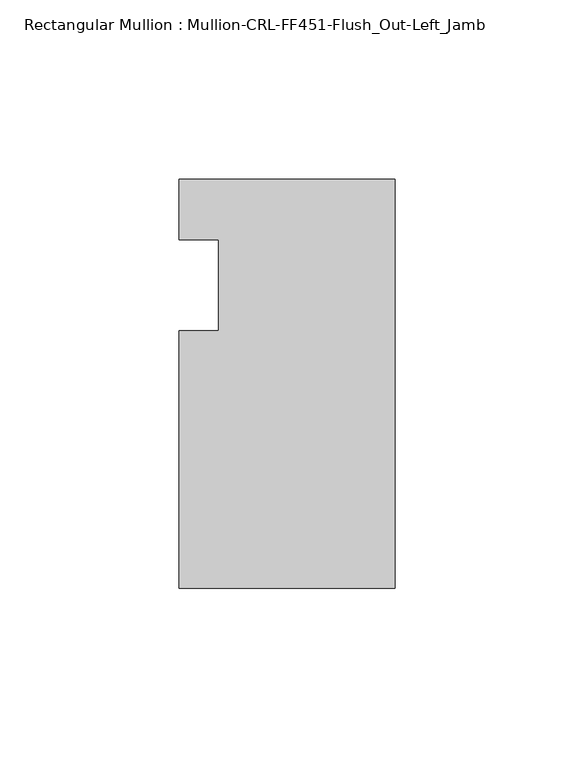
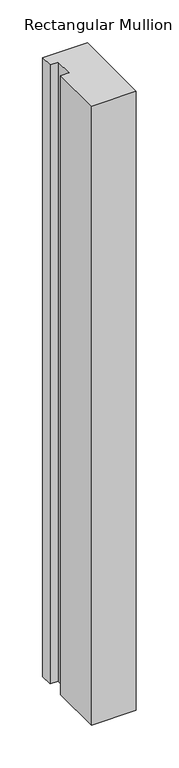
"""IFC4 building model written with IfcOpenShell, lengths in millimetres: member geometry, Rectangular Mullion : Mullion-CRL-FF451-Flush_Out-Left_Jamb."""

import ifcopenshell
import ifcopenshell.guid

model = None  # the IFC model being written
_history = None  # IfcOwnerHistory: only IFC2X3 demands one
_inside = {}  # id of a spatial element -> (the spatial element, [elements in it])
_under = {}  # id of a project, library or spatial element -> (it, [spatial elements below it])
_declared = {}  # id of a project -> (the project, [libraries it declares])
_typed = {}  # id of a type object -> (the type object, [elements of that type])
_made_of = {}  # id of a material, layer set ... -> (it, [elements and type objects made of it])


def new_model(schema):
    """Start an empty IFC model of exactly this schema.

    Asked for "IFC4X3", IfcOpenShell would pick the latest addendum, in which some entities
    have other attributes; the version numbers below select the first issue.
    IFC2X3 requires an IfcOwnerHistory on every rooted entity: one is made here for all.
    """
    global model, _history
    if schema == "IFC4X3":
        model = ifcopenshell.file(schema_version=(4, 3, 0, 0))
    else:
        model = ifcopenshell.file(schema=schema)
    _inside.clear()
    _under.clear()
    _declared.clear()
    _typed.clear()
    _made_of.clear()
    _history = None
    if model.schema == "IFC2X3":
        org = make("IfcOrganization", Name="unknown")
        user = make(
            "IfcPersonAndOrganization",
            ThePerson=make("IfcPerson", FamilyName="unknown"),
            TheOrganization=org,
        )
        app = make(
            "IfcApplication",
            ApplicationDeveloper=org,
            Version="unknown",
            ApplicationFullName="unknown",
            ApplicationIdentifier="unknown",
        )
        _history = make(
            "IfcOwnerHistory",
            OwningUser=user,
            OwningApplication=app,
            ChangeAction="ADDED",
            CreationDate=0,
        )
    return model


def make(cls, **values):
    """One entity of the class cls with the attributes given. An attribute that is None is left unset."""
    return model.create_entity(
        cls, **{name: value for name, value in values.items() if value is not None}
    )


def rooted(cls, **values):
    """An entity with a GlobalId (a new one), such as an element, a storey or a relation."""
    return make(cls, GlobalId=ifcopenshell.guid.new(), OwnerHistory=_history, **values)


def si_unit(unit_type, name, prefix=None):
    """IfcSIUnit, for example si_unit("LENGTHUNIT", "METRE", prefix="MILLI")."""
    return make("IfcSIUnit", UnitType=unit_type, Prefix=prefix, Name=name)


def assignment(units):
    """IfcUnitAssignment: the units of a project."""
    return None if units is None else make("IfcUnitAssignment", Units=units)


def point(xyz):
    """IfcCartesianPoint."""
    return None if xyz is None else make("IfcCartesianPoint", Coordinates=xyz)


def direction(xyz):
    """IfcDirection."""
    return None if xyz is None else make("IfcDirection", DirectionRatios=xyz)


def frame(location, z_axis=None, x_axis=None):
    """IfcAxis2Placement3D, a coordinate frame: its origin and axes. An axis left out is left unset."""
    return make(
        "IfcAxis2Placement3D",
        Location=point(location),
        Axis=direction(z_axis),
        RefDirection=direction(x_axis),
    )


def origin():
    """The frame at (0, 0, 0) with its axes left unset."""
    return frame((0.0, 0.0, 0.0))


def place(relative_to, where):
    """IfcLocalPlacement: puts the frame where relative to a parent placement (None: the world)."""
    return make(
        "IfcLocalPlacement", PlacementRelTo=relative_to, RelativePlacement=where
    )


def context(
    kind, dimensions, precision=None, world=None, true_north=None, identifier=None
):
    """IfcGeometricRepresentationContext, for example the 3D "Model" context."""
    return make(
        "IfcGeometricRepresentationContext",
        ContextIdentifier=identifier,
        ContextType=kind,
        CoordinateSpaceDimension=dimensions,
        Precision=precision,
        WorldCoordinateSystem=world,
        TrueNorth=true_north,
    )


def project(units=None, contexts=None):
    """IfcProject with its units and contexts."""
    return rooted(
        "IfcProject",
        Name="project",
        RepresentationContexts=contexts,
        UnitsInContext=assignment(units),
    )


def spatial(cls, under=None, at=None, **own):
    """A site, building, storey or space (cls), placed at a placement, below another one or the project."""
    s = rooted(cls, ObjectPlacement=at, **own)
    if under is not None:
        _under.setdefault(under.id(), (under, []))[1].append(s)
    return s


def polyline(points):
    """IfcPolyline through the points."""
    return make("IfcPolyline", Points=[point(p) for p in points])


def outline(outer, holes=None, kind="AREA"):
    """IfcArbitraryClosedProfileDef: a profile drawn as a closed curve; with holes, ...WithVoids."""
    if holes is None:
        return make("IfcArbitraryClosedProfileDef", ProfileType=kind, OuterCurve=outer)
    return make(
        "IfcArbitraryProfileDefWithVoids",
        ProfileType=kind,
        OuterCurve=outer,
        InnerCurves=holes,
    )


def extrude(swept, where, along, depth):
    """IfcExtrudedAreaSolid: the profile swept, set in the frame where, extruded along a direction by depth."""
    return make(
        "IfcExtrudedAreaSolid",
        SweptArea=swept,
        Position=where,
        ExtrudedDirection=direction(along),
        Depth=depth,
    )


def shape(context_of_items, identifier, shape_type, items):
    """IfcShapeRepresentation: the items that make up one representation, for example the "Body"."""
    return make(
        "IfcShapeRepresentation",
        ContextOfItems=context_of_items,
        RepresentationIdentifier=identifier,
        RepresentationType=shape_type,
        Items=items,
    )


def source(mapping_origin, context_of_items, identifier, shape_type, items):
    """IfcRepresentationMap: a shape defined once, which mapped items show again and again."""
    return make(
        "IfcRepresentationMap",
        MappingOrigin=mapping_origin,
        MappedRepresentation=shape(context_of_items, identifier, shape_type, items),
    )


def transform(
    local_origin,
    x_axis=None,
    y_axis=None,
    z_axis=None,
    scale=None,
    scale2=None,
    scale3=None,
    uniform=True,
):
    """IfcCartesianTransformationOperator3D, or its non-uniform kind. x_axis, y_axis, z_axis: its Axis1, 2, 3."""
    if uniform:
        return make(
            "IfcCartesianTransformationOperator3D",
            Axis1=direction(x_axis),
            Axis2=direction(y_axis),
            LocalOrigin=point(local_origin),
            Scale=scale,
            Axis3=direction(z_axis),
        )
    return make(
        "IfcCartesianTransformationOperator3DnonUniform",
        Axis1=direction(x_axis),
        Axis2=direction(y_axis),
        LocalOrigin=point(local_origin),
        Scale=scale,
        Axis3=direction(z_axis),
        Scale2=scale2,
        Scale3=scale3,
    )


def mapped(mapping_source, mapping_target):
    """IfcMappedItem: shows the shape of a source again, moved by a transform."""
    return make(
        "IfcMappedItem", MappingSource=mapping_source, MappingTarget=mapping_target
    )


def made_of(thing, what):
    """Note that an element or type object is made of a material, layer set ...; save() writes the relation."""
    if what is not None:
        _made_of.setdefault(what.id(), (what, []))[1].append(thing)
    return thing


def element(
    cls,
    number,
    at=None,
    inside=None,
    cuts=None,
    type_object=None,
    material=None,
    context=None,
    identifier="Body",
    shape_type=None,
    held_by="IfcProductDefinitionShape",
    body=None,
    shapes=None,
    **own,
):
    """One element of the class cls, such as IfcWall. Its Tag is "e" and its number.

    at: its placement. inside: the storey or other place that contains it. cuts: it is an
    opening in that element (IfcRelVoidsElement). A single representation is given by context,
    identifier, shape_type and body (its items); several are given by shapes. held_by: the class
    of the entity that holds the representations. save() writes the other relations.
    """
    e = rooted(cls, Tag="e%d" % number, ObjectPlacement=at, **own)
    if body is not None:
        shapes = [shape(context, identifier, shape_type, body)]
    if shapes is not None:
        e.Representation = make(held_by, Representations=shapes)
    if inside is not None:
        _inside.setdefault(inside.id(), (inside, []))[1].append(e)
    if cuts is not None:
        rooted(
            "IfcRelVoidsElement", RelatingBuildingElement=cuts, RelatedOpeningElement=e
        )
    if type_object is not None:
        _typed.setdefault(type_object.id(), (type_object, []))[1].append(e)
    return made_of(e, material)


def aggregate(whole, parts):
    """IfcRelAggregates: a whole, such as a stair, and the parts it consists of."""
    return rooted("IfcRelAggregates", RelatingObject=whole, RelatedObjects=parts)


def save(model, path):
    """Write the relations noted so far, then the file.

    IfcRelAggregates (storeys below a building ...), IfcRelContainedInSpatialStructure (elements
    in a storey), IfcRelDefinesByType, IfcRelAssociatesMaterial and IfcRelDeclares: one each for
    every whole, place, type object, material and project.
    """
    for whole, parts in _under.values():
        aggregate(whole, parts)
    for where, things in _inside.values():
        rooted(
            "IfcRelContainedInSpatialStructure",
            RelatedElements=things,
            RelatingStructure=where,
        )
    for kind, things in _typed.values():
        rooted("IfcRelDefinesByType", RelatedObjects=things, RelatingType=kind)
    for what, things in _made_of.values():
        rooted("IfcRelAssociatesMaterial", RelatedObjects=things, RelatingMaterial=what)
    for by, libraries in _declared.values():
        rooted("IfcRelDeclares", RelatingContext=by, RelatedDefinitions=libraries)
    model.write(path)


def rectangular_mullion_mullion_crl_ff451_flush_out_left_jamb_e9bea070(model_context):
    return source(origin(), model_context, "Body", "SweptSolid", [
        extrude(outline(polyline([(-60.362207, -84.6651114), (-60.362207, -12.7), (-49.222241, -12.7), (-49.222241, 12.7), (-60.362207, 12.7), (-60.362207, 29.6348886), (0.0, 29.6348886), (0.0, -84.6651114), (-60.362207, -84.6651114)])), frame((0.0, 0.0, -882.65), z_axis=(0.0, 0.0, 1.0), x_axis=(1.0, 0.0, 0.0)), (0.0, 0.0, 1.0), 882.65),
    ])


if __name__ == "__main__":
    model = new_model("IFC4")
    model_context = context("Model", 3, world=origin())
    ifc_project = project(units=[si_unit("LENGTHUNIT", "METRE", prefix="MILLI")], contexts=[model_context])
    site = spatial("IfcSite", under=ifc_project)
    building = spatial("IfcBuilding", under=site)
    placement = place(None, origin())
    rectangular_mullion_mullion_crl_ff451_flush_out_left_jamb_shape = rectangular_mullion_mullion_crl_ff451_flush_out_left_jamb_e9bea070(model_context)
    element("IfcMember", 1, ObjectType="Rectangular Mullion : Mullion-CRL-FF451-Flush_Out-Left_Jamb", at=placement, inside=building, context=model_context, shape_type="MappedRepresentation", body=[
        mapped(rectangular_mullion_mullion_crl_ff451_flush_out_left_jamb_shape, transform((0.0, 0.0, 0.0), x_axis=(1.0, 0.0, 0.0), y_axis=(0.0, 1.0, 0.0), z_axis=(0.0, 0.0, 1.0))),
    ])
    save(model, "model.ifc")
